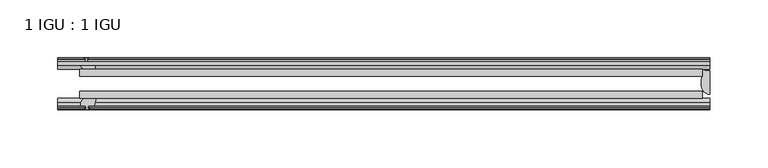
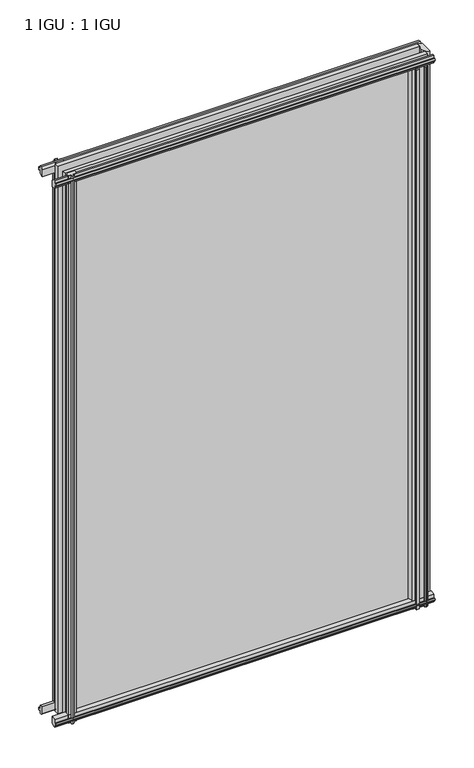
"""IFC4 building model written with IfcOpenShell, lengths in millimetres: plate geometry, 1 IGU : 1 IGU."""

from ifc_helpers import new_model, si_unit, point, frame, frame_2d, origin, place, context, project, spatial, polyline, circle_curve, ellipse_curve, trimmed, segment, composite_curve, outline, extrude, source, transform, mapped, element, save
from ifc_brep_helpers import plane_surface, cylinder_surface, revolved_surface, extruded_surface, advanced_brep


def plate_1_igu_1_igu_c3b191b7(model_context):
    return source(origin(), model_context, "Body", "SolidModel", [
        extrude(outline(polyline([(-263.5317468, -38.6468937), (276.2317468, -38.6468937), (276.2317468, -44.9460938), (-263.5317468, -44.9460938), (-263.5317468, -38.6468937)])), frame((0.0, 0.0, -12.7), z_axis=(0.0, 0.0, 1.0), x_axis=(1.0, 0.0, 0.0)), (0.0, 0.0, 1.0), 863.5999996),
        extrude(outline(polyline([(-263.5317468, -19.5460937), (276.2317468, -19.5460937), (276.2317468, -25.8960938), (-263.5317468, -25.8960938), (-263.5317468, -19.5460937)])), frame((0.0, 0.0, -12.7), z_axis=(0.0, 0.0, 1.0), x_axis=(1.0, 0.0, 0.0)), (0.0, 0.0, 1.0), 863.5999996),
        advanced_brep(
        [(282.5817468, -21.1709383, -12.4587), (282.5817468, -41.5384061, -12.4587), (275.0594096, -32.2460938, -12.4587), (276.2317468, -25.8452938, -12.4587), (276.2317468, -19.5460938, -12.4587), (282.5817468, -21.1709383, 850.8999996), (276.2317468, -19.5460938, 850.8999996), (276.2317468, -25.8452938, 850.8999996), (275.0594096, -32.2460938, 850.8999996), (282.5817468, -41.5384061, 850.8999996)],
        [
            (0, 1),
            (1, 2, ellipse_curve(frame((282.5817468, -32.2460938, -12.4587), z_axis=(0.0, 0.0, -1.0), x_axis=(0.0, -1.0, 0.0)), 9.2923124, 7.5223371)),
            (2, 3, circle_curve(frame((293.1193231, -32.2460938, -12.4587), z_axis=(0.0, 0.0, -1.0), x_axis=(1.0, 0.0, 0.0)), 18.0599135)),
            (3, 4),
            (4, 0, circle_curve(frame((282.5817468, -7.950406, -12.4587), z_axis=(0.0, 0.0, 1.0), x_axis=(1.0, 0.0, 0.0)), 13.2205323)),
            (5, 6, circle_curve(frame((282.5817468, -7.950406, 850.8999996), z_axis=(0.0, 0.0, -1.0), x_axis=(1.0, 0.0, 0.0)), 13.2205323)),
            (6, 7),
            (7, 8, circle_curve(frame((293.1193231, -32.2460938, 850.8999996), z_axis=(0.0, 0.0, 1.0), x_axis=(1.0, 0.0, 0.0)), 18.0599135)),
            (8, 9, ellipse_curve(frame((282.5817468, -32.2460938, 850.8999996), z_axis=(0.0, 0.0, 1.0), x_axis=(0.0, -1.0, 0.0)), 9.2923124, 7.5223371)),
            (9, 5),
            (1, 9),
            (8, 2),
            (7, 3),
            (6, 4),
            (5, 0),
        ],
        [
            plane_surface(frame((282.5817468, -13.1960938, -12.4587), z_axis=(0.0, 0.0, -1.0), x_axis=(0.0, 1.0, 0.0))),
            plane_surface(frame((282.5817468, -13.1960938, 850.8999996), z_axis=(0.0, 0.0, 1.0), x_axis=(0.0, 1.0, 0.0))),
            extruded_surface(trimmed(ellipse_curve(frame((282.5817468, -32.2460938, 850.8999996), z_axis=(0.0, 0.0, -1.0), x_axis=(0.0, -1.0, 0.0)), 9.2923124, 7.5223371), [point((282.5817468, -41.5384061, 850.8999996))], [point((275.0594096, -32.2460938, 850.8999996))], True, "CARTESIAN"), (0.0, 0.0, -863.3586996), 863.3586996),
            cylinder_surface(frame((293.1193231, -32.2460938, -12.4587), z_axis=(0.0, 0.0, -1.0), x_axis=(1.0, 0.0, 0.0)), 18.0599135),
            plane_surface(frame((276.2317468, -25.8452938, -12.4587), z_axis=(-1.0, 0.0, 0.0), x_axis=(0.0, 0.0, 1.0))),
            revolved_surface(polyline([(295.8022791, -7.950406, 850.8999996), (295.8022791, -7.950406, -12.4587)]), (282.5817468, -7.950406, -12.4587), (0.0, 0.0, 1.0)),
            plane_surface(frame((282.5817468, -21.1709383, -12.4587), z_axis=(1.0, 0.0, 0.0), x_axis=(0.0, 0.0, 1.0))),
        ],
        [
            (0, [[1, 2, 3, 4, 5]]),
            (1, [[6, 7, 8, 9, 10]]),
            (2, [[-2, 11, -9, 12]]),
            (3, [[-3, -12, -8, 13]]),
            (4, [[-4, -13, -7, 14]]),
            (5, [[-5, -14, -6, 15]]),
            (6, [[-1, -15, -10, -11]]),
        ],
    ),
        extrude(outline(polyline([(-44.9460937, 1.7177181), (-44.9460937, -9.1036578), (-48.3496937, -11.938), (-51.2960937, -11.938), (-51.2960937, -7.493), (-53.6762907, -7.112), (-53.2163575, -8.5275291), (-54.0175717, -8.5275291), (-54.7250937, -6.35), (-54.0175717, -4.1724709), (-53.2163575, -4.1724709), (-53.6762907, -5.588), (-51.2960937, -5.207), (-51.2960937, 0.0), (-44.9460937, 1.7177181)])), frame((-282.5817468, 0.0, 0.0), z_axis=(1.0, 0.0, 0.0), x_axis=(0.0, 1.0, 0.0)), (0.0, 0.0, 1.0), 565.1634936),
        extrude(outline(polyline([(-13.1960937, -12.4587), (-16.1424937, -12.4587), (-19.5460937, -9.6243578), (-19.5460937, 1.1970181), (-13.1960937, -0.5207), (-13.1960937, -5.7277), (-10.8158968, -6.1087), (-11.27583, -4.6931709), (-10.4746158, -4.6931709), (-9.7670937, -6.8707), (-10.4746158, -9.0482291), (-11.27583, -9.0482291), (-10.8158968, -7.6327), (-13.1960937, -8.0137), (-13.1960937, -12.4587)])), frame((-282.5817468, 0.0, 0.0), z_axis=(1.0, 0.0, 0.0), x_axis=(0.0, 1.0, 0.0)), (0.0, 0.0, 1.0), 565.1634936),
        extrude(outline(polyline([(-51.2960937, 850.1379996), (-48.3496937, 850.1379996), (-44.9460937, 847.3036575), (-44.9460937, 836.4822816), (-51.2960937, 838.1999996), (-51.2960937, 843.4069996), (-53.6762907, 843.7879996), (-53.2163575, 842.3724706), (-54.0175717, 842.3724706), (-54.7250937, 844.5499996), (-54.0175717, 846.7275287), (-53.2163575, 846.7275287), (-53.6762907, 845.3119996), (-51.2960937, 845.6929996), (-51.2960937, 850.1379996)])), frame((-282.5817468, 0.0, 0.0), z_axis=(1.0, 0.0, 0.0), x_axis=(0.0, 1.0, 0.0)), (0.0, 0.0, 1.0), 565.1634936),
        extrude(outline(polyline([(-19.5460937, 837.0029816), (-19.5460937, 847.8243575), (-16.1424937, 850.6586996), (-13.1960937, 850.6586996), (-13.1960937, 846.2136996), (-10.8158968, 845.8326996), (-11.27583, 847.2482287), (-10.4746158, 847.2482287), (-9.7670937, 845.0706996), (-10.4746158, 842.8931706), (-11.27583, 842.8931706), (-10.8158968, 844.3086996), (-13.1960937, 843.9276996), (-13.1960937, 838.7206996), (-19.5460937, 837.0029816)])), frame((-282.5817468, 0.0, 0.0), z_axis=(1.0, 0.0, 0.0), x_axis=(0.0, 1.0, 0.0)), (0.0, 0.0, 1.0), 565.1634936),
        extrude(outline(composite_curve([segment(polyline([(273.0567469, -44.9460938), (273.0567469, -51.2960938), (271.4057469, -51.2960938), (271.4057469, -52.9470938), (272.4833777, -52.9470938)]), True, "CONTINUOUS"), segment(trimmed(circle_curve(frame_2d((271.4057469, -52.9470938)), 1.0776307), [point((272.4833777, -52.9470938))], [point((272.1677469, -53.7090938))], False, "CARTESIAN"), True, "CONTINUOUS"), segment(polyline([(272.1677469, -53.7090938), (270.4284545, -54.8194621)]), True, "CONTINUOUS"), segment(trimmed(circle_curve(frame_2d((269.8817469, -53.9630938)), 1.016), [point((270.4284545, -54.8194621))], [point((269.3350393, -54.8194621))], False, "CARTESIAN"), True, "CONTINUOUS"), segment(polyline([(269.3350393, -54.8194621), (267.5957469, -53.7090938)]), True, "CONTINUOUS"), segment(trimmed(circle_curve(frame_2d((268.3577469, -52.9470938)), 1.0776307), [point((267.5957469, -53.7090938))], [point((267.2801162, -52.9470938))], False, "CARTESIAN"), True, "CONTINUOUS"), segment(polyline([(267.2801162, -52.9470938), (268.3577469, -52.9470938), (268.3577469, -51.2960938), (259.289947, -51.2960938)]), True, "CONTINUOUS"), segment(trimmed(circle_curve(frame_2d((259.289947, -51.7532938)), 0.4572), [point((259.289947, -51.2960938))], [point((258.9511291, -52.0602698))], True, "CARTESIAN"), True, "CONTINUOUS"), segment(trimmed(circle_curve(frame_2d((257.181747, -53.663367)), 2.3876), [point((258.9511291, -52.0602698))], [point((259.25239, -54.8520938))], False, "CARTESIAN"), True, "CONTINUOUS"), segment(polyline([(259.25239, -54.8520938), (255.111104, -54.8520938)]), True, "CONTINUOUS"), segment(trimmed(circle_curve(frame_2d((257.181747, -53.663367)), 2.3876), [point((255.111104, -54.8520938))], [point((255.4123648, -52.0602698))], False, "CARTESIAN"), True, "CONTINUOUS"), segment(trimmed(circle_curve(frame_2d((255.073547, -51.7532938)), 0.4572), [point((255.4123648, -52.0602698))], [point((255.073547, -51.2960938))], True, "CARTESIAN"), True, "CONTINUOUS"), segment(polyline([(255.073547, -51.2960938), (250.831747, -51.2960938)]), True, "CONTINUOUS"), segment(trimmed(circle_curve(frame_2d((241.8158155, -51.9750196)), 9.0414579), [point((250.831747, -51.2960938))], [point((247.5028324, -44.9460938))], True, "CARTESIAN"), True, "CONTINUOUS"), segment(polyline([(247.5028324, -44.9460938), (273.0567469, -44.9460938)]), True, "CONTINUOUS")], self_intersect=False)), frame((0.0, 0.0, -12.7), z_axis=(0.0, 0.0, 1.0), x_axis=(1.0, 0.0, 0.0)), (0.0, 0.0, 1.0), 850.8999996),
        extrude(outline(polyline([(-257.7024468, -9.7670937), (-255.5249177, -10.4746158), (-255.5249177, -11.27583), (-256.9404468, -10.8158968), (-256.5594468, -13.1960937), (-251.3524468, -13.1960937), (-249.6347287, -19.5460937), (-260.4561046, -19.5460937), (-263.2904468, -16.1424937), (-263.2904468, -13.1960937), (-258.8454468, -13.1960937), (-258.4644468, -10.8158968), (-259.8799758, -11.27583), (-259.8799758, -10.4746158), (-257.7024468, -9.7670937)])), frame((0.0, 0.0, -12.7), z_axis=(0.0, 0.0, 1.0), x_axis=(1.0, 0.0, 0.0)), (0.0, 0.0, 1.0), 863.5999998),
        extrude(outline(polyline([(-262.7697468, -48.3496937), (-259.9354046, -44.9460937), (-249.1140287, -44.9460937), (-250.8317468, -51.2960937), (-256.0387468, -51.2960937), (-256.4197468, -53.6762907), (-255.0042177, -53.2163575), (-255.0042177, -54.0175717), (-257.1817468, -54.7250937), (-259.3592758, -54.0175717), (-259.3592758, -53.2163575), (-257.9437468, -53.6762907), (-258.3247468, -51.2960937), (-262.7697468, -51.2960937), (-262.7697468, -48.3496937)])), frame((0.0, 0.0, -12.7), z_axis=(0.0, 0.0, 1.0), x_axis=(1.0, 0.0, 0.0)), (0.0, 0.0, 1.0), 863.5999998),
    ])


if __name__ == "__main__":
    model = new_model("IFC4")
    model_context = context("Model", 3, world=origin())
    ifc_project = project(units=[si_unit("LENGTHUNIT", "METRE", prefix="MILLI")], contexts=[model_context])
    site = spatial("IfcSite", under=ifc_project)
    building = spatial("IfcBuilding", under=site)
    placement = place(None, origin())
    plate_1_igu_1_igu_shape = plate_1_igu_1_igu_c3b191b7(model_context)
    element("IfcPlate", 1, ObjectType="1 IGU : 1 IGU", at=placement, inside=building, context=model_context, shape_type="MappedRepresentation", body=[
        mapped(plate_1_igu_1_igu_shape, transform((0.0, 0.0, 0.0), x_axis=(1.0, 0.0, 0.0), y_axis=(0.0, 1.0, 0.0), z_axis=(0.0, 0.0, 1.0))),
    ])
    save(model, "model.ifc")
